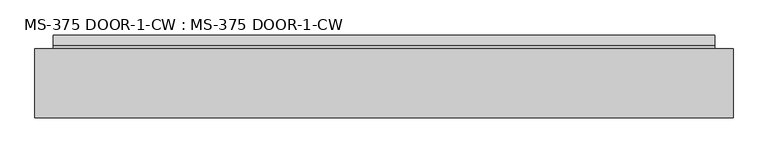
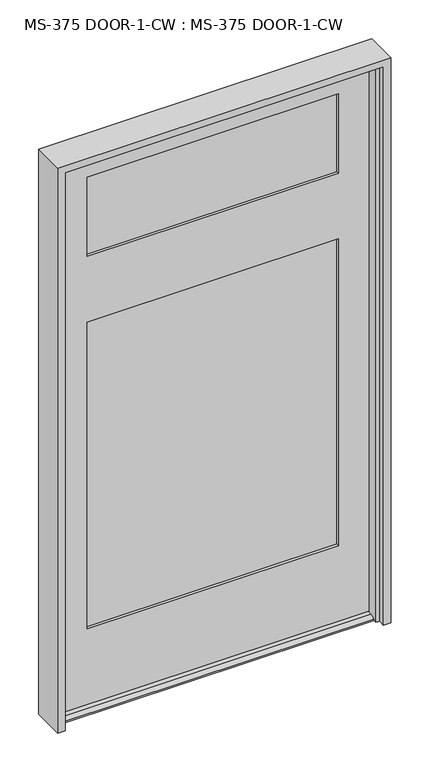
"""IFC4 building model written with IfcOpenShell, lengths in millimetres: plate geometry, MS-375 DOOR-1-CW : MS-375 DOOR-1-CW."""

from ifc_helpers import new_model, si_unit, frame, origin, place, context, project, spatial, polyline, outline, extrude, faceted_brep, source, transform, mapped, element, save


def ms_375_door_1_cw_ms_375_door_1_cw_028d6666(model_context):
    return source(origin(), model_context, "Body", "SolidModel", [
        faceted_brep([(547.3191995, -45.3085632, 12.7), (547.3191995, -61.9583086, 12.7), (547.3191995, -78.646154, 4.9183299), (547.3191995, -78.646154, 0.0003044), (547.3191995, -45.3085632, 0.0003044), (547.3191995, 22.9539368, 0.0003044), (547.3191995, 22.9539368, 4.9183299), (547.3191995, 6.2660914, 12.7), (547.3191995, -0.8585632, 12.7), (547.3191995, -0.8585632, 0.0003044), (-547.3001495, -0.8585632, 12.7), (-547.3001495, 6.2660914, 12.7), (-547.3001495, 22.9539368, 4.9183299), (-547.3001495, 22.9539368, 0.0003044), (-547.3001495, -0.8585632, 0.0003044), (-547.3001495, -78.646154, 0.0003044), (-547.3001495, -78.646154, 4.9183299), (-547.3001495, -61.9583086, 12.7), (-547.3001495, -45.3085632, 12.7), (-547.3001495, -45.3085632, 0.0003044), (442.9315495, -35.7835632, 283.36875), (442.9315495, -10.3835632, 283.36875), (-442.9124995, -10.3835632, 283.36875), (-442.9124995, -35.7835632, 283.36875), (435.7877995, -45.3085632, 290.5125), (435.7877995, -35.7835632, 290.5125), (-435.7687495, -35.7835632, 290.5125), (-435.7687495, -45.3085632, 290.5125), (435.7877995, -10.3835632, 290.5125), (435.7877995, -0.8585632, 290.5125), (-435.7687495, -0.8585632, 290.5125), (-435.7687495, -10.3835632, 290.5125), (442.9315495, -35.7835632, 1420.8125), (-442.9124995, -35.7835632, 1420.8125), (-442.9124995, -10.3835632, 1420.8125), (442.9315495, -10.3835632, 1420.8125), (-435.7687495, -0.8585632, 1413.66875), (435.7877995, -0.8585632, 1413.66875), (435.7877995, -10.3835632, 1413.66875), (-435.7687495, -10.3835632, 1413.66875), (435.7877995, -0.8585632, 1654.96875), (-435.7687495, -0.8585632, 1654.96875), (-435.7687495, -10.3835632, 1654.96875), (435.7877995, -10.3835632, 1654.96875), (-442.9124995, -35.7835632, 1647.825), (442.9315495, -35.7835632, 1647.825), (442.9315495, -10.3835632, 1647.825), (-442.9124995, -10.3835632, 1647.825), (435.7877995, -35.7835632, 1654.96875), (-435.7687495, -35.7835632, 1654.96875), (-435.7687495, -45.3085632, 1654.96875), (435.7877995, -45.3085632, 1654.96875), (-435.7687495, -35.7835632, 1413.66875), (435.7877995, -35.7835632, 1413.66875), (435.7877995, -45.3085632, 1413.66875), (-435.7687495, -45.3085632, 1413.66875), (547.3191995, -45.3085632, 2041.525), (550.0877995, -0.8585632, 2041.525), (-550.0687495, -0.8585632, 2041.525), (-547.3001495, -45.3085632, 2041.525), (435.7877995, -0.8585632, 1945.48125), (435.7877995, -10.3835632, 1945.48125), (-435.7687495, -10.3835632, 1945.48125), (-435.7687495, -0.8585632, 1945.48125), (442.9315495, -10.3835632, 1952.625), (442.9315495, -35.7835632, 1952.625), (-442.9124995, -35.7835632, 1952.625), (-442.9124995, -10.3835632, 1952.625), (435.7877995, -45.3085632, 1945.48125), (435.7877995, -35.7835632, 1945.48125), (-435.7687495, -45.3085632, 1945.48125), (-435.7687495, -35.7835632, 1945.48125), (-550.0687495, -0.8585632, 0.0003044), (550.0877995, -0.8585632, 0.0003044)], [[[0, 1, 2, 3, 4]], [[5, 6, 7, 8, 9]], [[10, 11, 12, 13, 14]], [[15, 16, 17, 18, 19]], [[20, 21, 22, 23]], [[24, 25, 26, 27]], [[1, 0, 18, 17]], [[7, 6, 12, 11]], [[28, 29, 30, 31]], [[32, 33, 34, 35]], [[36, 37, 38, 39]], [[40, 41, 42, 43]], [[44, 45, 46, 47]], [[48, 49, 50, 51]], [[52, 53, 54, 55]], [[56, 57, 58, 59]], [[60, 61, 62, 63]], [[64, 65, 66, 67]], [[29, 28, 38, 37]], [[61, 60, 40, 43]], [[45, 65, 64, 46]], [[35, 21, 20, 32]], [[25, 24, 54, 53]], [[68, 69, 48, 51]], [[69, 68, 70, 71]], [[66, 65, 45, 44], [69, 71, 49, 48]], [[20, 23, 33, 32], [26, 25, 53, 52]], [[56, 59, 18, 0], [70, 68, 51, 50], [27, 55, 54, 24]], [[2, 1, 17, 16]], [[3, 2, 16, 15]], [[3, 15, 19, 72, 14, 13, 5, 9, 73, 4]], [[6, 5, 13, 12]], [[8, 7, 11, 10]], [[57, 73, 9, 8, 10, 14, 72, 58], [30, 29, 37, 36], [63, 41, 40, 60]], [[22, 21, 35, 34], [28, 31, 39, 38]], [[64, 67, 47, 46], [62, 61, 43, 42]], [[18, 59, 58, 72, 19]], [[27, 26, 52, 55]], [[71, 70, 50, 49]], [[33, 23, 22, 34]], [[47, 67, 66, 44]], [[31, 30, 36, 39]], [[63, 62, 42, 41]], [[57, 56, 0, 4, 73]]]),
        extrude(outline(polyline([(-442.9124995, -16.6827632), (-442.9124995, -10.3835632), (442.9315495, -10.3835632), (442.9315495, -16.6827632), (-442.9124995, -16.6827632)])), frame((0.0, 0.0, 283.36875), z_axis=(0.0, 0.0, 1.0), x_axis=(1.0, 0.0, 0.0)), (0.0, 0.0, 1.0), 1137.44375),
        extrude(outline(polyline([(-442.9124995, -35.7835632), (-442.9124995, -29.4843632), (442.9315495, -29.4843632), (442.9315495, -35.7835632), (-442.9124995, -35.7835632)])), frame((0.0, 0.0, 283.36875), z_axis=(0.0, 0.0, 1.0), x_axis=(1.0, 0.0, 0.0)), (0.0, 0.0, 1.0), 1137.44375),
        extrude(outline(polyline([(442.9315495, -35.7835632), (-442.9124995, -35.7835632), (-442.9124995, -29.4843632), (442.9315495, -29.4843632), (442.9315495, -35.7835632)])), frame((0.0, 0.0, 1647.825), z_axis=(0.0, 0.0, 1.0), x_axis=(1.0, 0.0, 0.0)), (0.0, 0.0, 1.0), 304.8),
        extrude(outline(polyline([(-442.9124995, -10.3835632), (442.9315495, -10.3835632), (442.9315495, -16.6827632), (-442.9124995, -16.6827632), (-442.9124995, -10.3835632)])), frame((0.0, 0.0, 1647.825), z_axis=(0.0, 0.0, 1.0), x_axis=(1.0, 0.0, 0.0)), (0.0, 0.0, 1.0), 304.8),
        faceted_brep([(-577.8499995, -114.3, 2070.1), (-577.8499995, 0.0, 2070.1), (-577.8499995, 0.0, 0.0), (-577.8499995, -114.3, 0.0), (577.8499995, 0.0, 2070.1), (577.8499995, -114.3, 2070.1), (577.8499995, -114.3, 0.0), (577.8499995, 0.0, 0.0), (539.7499995, -91.313, 0.0), (552.4499995, -91.313, 0.0), (552.4499995, -91.313, 2044.7), (-552.4499995, -91.313, 2044.7), (-552.4499995, -91.313, 0.0), (-539.7499995, -91.313, 0.0), (-539.7499995, -91.313, 2032.0), (539.7499995, -91.313, 2032.0), (552.4499995, -114.3, 2044.7), (-552.4499995, -114.3, 2044.7), (-552.4499995, -114.3, 0.0), (552.4499995, -114.3, 0.0), (552.4499995, 0.0, 0.0), (552.4499995, 0.0, 2044.7), (-552.4499995, 0.0, 2044.7), (-552.4499995, 0.0, 0.0), (552.4499995, -50.038, 2044.7), (-552.4499995, -50.038, 2044.7), (552.4499995, -50.038, 0.0), (539.7499995, -50.038, 0.0), (539.7499995, -50.038, 2032.0), (-539.7499995, -50.038, 2032.0), (-539.7499995, -50.038, 0.0), (-552.4499995, -50.038, 0.0)], [[[0, 1, 2, 3]], [[4, 5, 6, 7]], [[8, 9, 10, 11, 12, 13, 14, 15]], [[11, 10, 16, 17]], [[0, 3, 18, 17, 16, 19, 6, 5]], [[4, 1, 0, 5]], [[2, 1, 4, 7, 20, 21, 22, 23]], [[21, 24, 25, 22]], [[26, 27, 28, 29, 30, 31, 25, 24]], [[28, 15, 14, 29]], [[27, 26, 20, 7, 6, 19, 9, 8]], [[20, 26, 24, 21]], [[9, 19, 16, 10]], [[27, 8, 15, 28]], [[30, 13, 12, 18, 3, 2, 23, 31]], [[13, 30, 29, 14]], [[18, 12, 11, 17]], [[25, 31, 23, 22]]]),
    ])


if __name__ == "__main__":
    model = new_model("IFC4")
    model_context = context("Model", 3, world=origin())
    ifc_project = project(units=[si_unit("LENGTHUNIT", "METRE", prefix="MILLI")], contexts=[model_context])
    site = spatial("IfcSite", under=ifc_project)
    building = spatial("IfcBuilding", under=site)
    placement = place(None, origin())
    ms_375_door_1_cw_ms_375_door_1_cw_shape = ms_375_door_1_cw_ms_375_door_1_cw_028d6666(model_context)
    element("IfcPlate", 1, ObjectType="MS-375 DOOR-1-CW : MS-375 DOOR-1-CW", at=placement, inside=building, context=model_context, shape_type="MappedRepresentation", body=[
        mapped(ms_375_door_1_cw_ms_375_door_1_cw_shape, transform((0.0, 0.0, 0.0), x_axis=(1.0, 0.0, 0.0), y_axis=(0.0, 1.0, 0.0), z_axis=(0.0, 0.0, 1.0))),
    ])
    save(model, "model.ifc")
